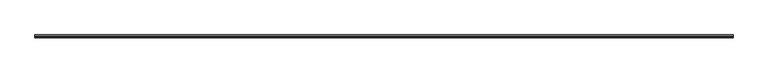
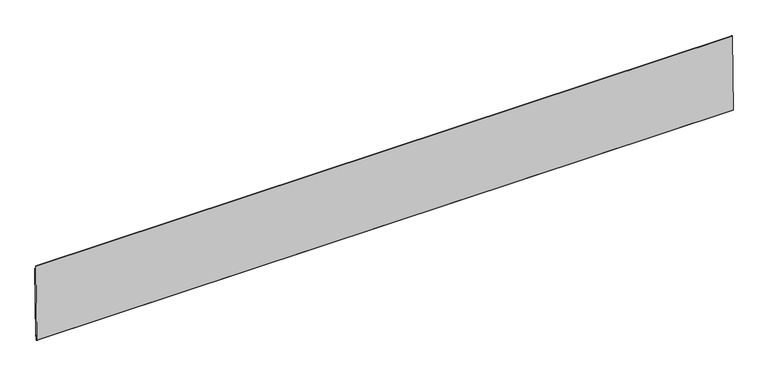
"""IFC4 building model written with IfcOpenShell, lengths in millimetres: proxy geometry."""

from ifc_helpers import new_model, si_unit, frame, origin, place, context, project, spatial, polyline, outline, extrude, source, transform, mapped, element, save


def generic_models_e0d53127(model_context):
    return source(origin(), model_context, "Body", "SweptSolid", [
        extrude(outline(polyline([(3.5908171, 592.7358494), (-1.5957097, 283.2168009), (-3.9766254, 283.2566973), (-3.8436375, 291.1930831), (-6.422963, 291.2363042), (-6.8219266, 267.4271466), (-8.7921815, 267.4601617), (-9.7812158, 268.4829068), (-4.0964484, 607.7357192), (-3.0737032, 608.7247535), (-1.6923281, 608.7016062), (-1.9583039, 592.8288345), (3.5908171, 592.7358494)])), frame((-1825.625, 0.0, 0.0), z_axis=(1.0, 0.0, 0.0), x_axis=(0.0, 1.0, 0.0)), (0.0, 0.0, 1.0), 3044.825),
    ])


if __name__ == "__main__":
    model = new_model("IFC4")
    model_context = context("Model", 3, world=origin())
    ifc_project = project(units=[si_unit("LENGTHUNIT", "METRE", prefix="MILLI")], contexts=[model_context])
    site = spatial("IfcSite", under=ifc_project)
    building = spatial("IfcBuilding", under=site)
    placement = place(None, origin())
    generic_models_shape = generic_models_e0d53127(model_context)
    element("IfcBuildingElementProxy", 1, Name="Generic Models", at=placement, inside=building, context=model_context, shape_type="MappedRepresentation", body=[
        mapped(generic_models_shape, transform((0.0, 0.0, 0.0), x_axis=(1.0, 0.0, 0.0), y_axis=(0.0, 1.0, 0.0), z_axis=(0.0, 0.0, 1.0))),
    ])
    save(model, "model.ifc")
